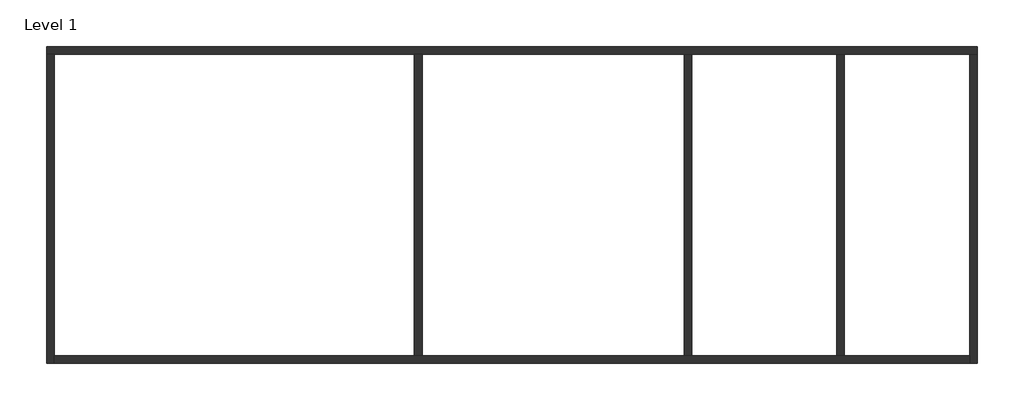
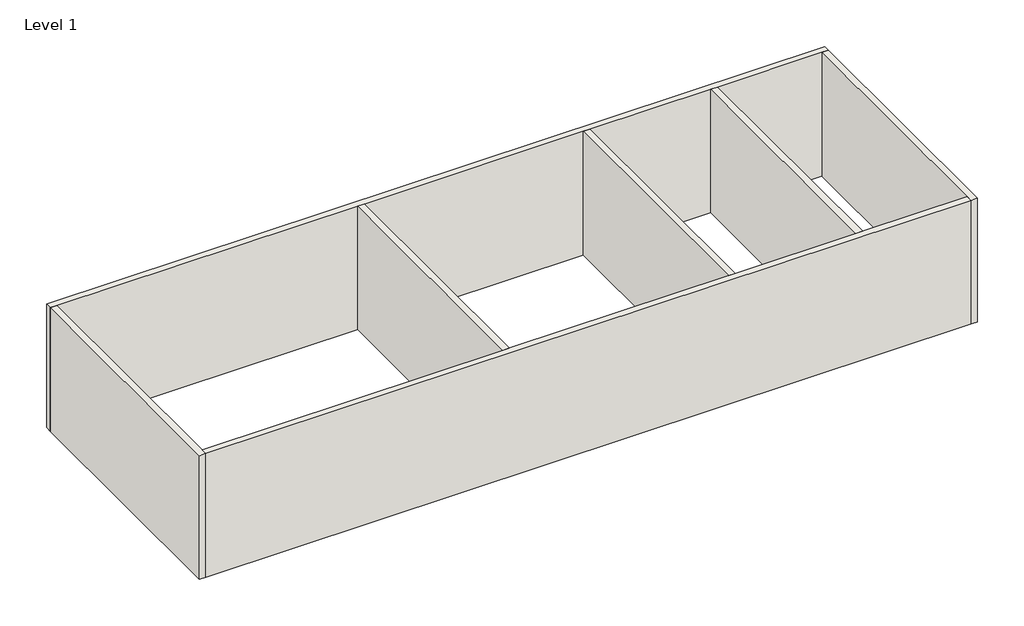
# One storey: 7 walls.
"""IFC4 building model written with IfcOpenShell, lengths in millimetres."""

from ifc_helpers import new_model, si_unit, origin, origin_with_axes, place, context, project, spatial, polyline, outline, extrude, faceted_brep, element, save

model = new_model("IFC4")

# Units and contexts
model_context = context("Model", 3, world=origin())
ifc_project = project(units=[si_unit("LENGTHUNIT", "METRE", prefix="MILLI")], contexts=[model_context])

# Site, building, storey
site = spatial("IfcSite", under=ifc_project)
building = spatial("IfcBuilding", under=site)
storey = spatial("IfcBuildingStorey", under=building, Name="Level 1", Elevation=0.0)

# Walls
placement = place(None, origin())
element("IfcWall", 1, ObjectType="Wall 1", at=placement, inside=storey, context=model_context, shape_type="Brep", body=[
    faceted_brep([(-4159.1188428, 6471.3818644, 0.0), (-3959.1188428, 6471.3818644, 0.0), (5240.8811572, 6471.3818644, 0.0), (5440.8811572, 6471.3818644, 0.0), (12140.8811572, 6471.3818644, 0.0), (12340.8811572, 6471.3818644, 0.0), (16040.8811572, 6471.3818644, 0.0), (16240.8811572, 6471.3818644, 0.0), (19440.8811572, 6471.3818644, 0.0), (19640.8811572, 6471.3818644, 0.0), (19640.8811572, 6471.3818644, 4000.0), (19440.8811572, 6471.3818644, 4000.0), (16240.8811572, 6471.3818644, 4000.0), (16040.8811572, 6471.3818644, 4000.0), (12340.8811572, 6471.3818644, 4000.0), (12140.8811572, 6471.3818644, 4000.0), (5440.8811572, 6471.3818644, 4000.0), (5240.8811572, 6471.3818644, 4000.0), (-3959.1188428, 6471.3818644, 4000.0), (-4159.1188428, 6471.3818644, 4000.0), (-4159.1188428, 6671.3818644, 0.0), (-4159.1188428, 6671.3818644, 4000.0), (19640.8811572, 6671.3818644, 4000.0), (19640.8811572, 6671.3818644, 0.0)], [[[0, 1, 2, 3, 4, 5, 6, 7, 8, 9, 10, 11, 12, 13, 14, 15, 16, 17, 18, 19]], [[20, 21, 22, 23]], [[9, 8, 7, 6, 5, 4, 3, 2, 1, 0, 20, 23]], [[19, 18, 17, 16, 15, 14, 13, 12, 11, 10, 22, 21]], [[0, 19, 21, 20]], [[10, 9, 23, 22]]]),
])
element("IfcWall", 2, ObjectType="Wall 1", at=placement, inside=storey, context=model_context, shape_type="Brep", body=[
    faceted_brep([(-3959.1188428, -1428.6181356, 0.0), (-3959.1188428, -1228.6181356, 0.0), (-3959.1188428, 6471.3818644, 0.0), (-3959.1188428, 6471.3818644, 4000.0), (-3959.1188428, -1228.6181356, 4000.0), (-3959.1188428, -1428.6181356, 4000.0), (-4159.1188428, -1428.6181356, 0.0), (-4159.1188428, -1428.6181356, 4000.0), (-4159.1188428, 6471.3818644, 4000.0), (-4159.1188428, 6471.3818644, 0.0)], [[[0, 1, 2, 3, 4, 5]], [[6, 7, 8, 9]], [[2, 1, 0, 6, 9]], [[5, 4, 3, 8, 7]], [[0, 5, 7, 6]], [[3, 2, 9, 8]]]),
])
element("IfcWall", 3, ObjectType="Wall 1", at=placement, inside=storey, context=model_context, shape_type="Brep", body=[
    faceted_brep([(19440.8811572, -1228.6181356, 0.0), (16240.8811572, -1228.6181356, 0.0), (16040.8811572, -1228.6181356, 0.0), (12340.8811572, -1228.6181356, 0.0), (12140.8811572, -1228.6181356, 0.0), (5440.8811572, -1228.6181356, 0.0), (5240.8811572, -1228.6181356, 0.0), (-3959.1188428, -1228.6181356, 0.0), (-3959.1188428, -1228.6181356, 4000.0), (5240.8811572, -1228.6181356, 4000.0), (5440.8811572, -1228.6181356, 4000.0), (12140.8811572, -1228.6181356, 4000.0), (12340.8811572, -1228.6181356, 4000.0), (16040.8811572, -1228.6181356, 4000.0), (16240.8811572, -1228.6181356, 4000.0), (19440.8811572, -1228.6181356, 4000.0), (19440.8811572, -1428.6181356, 0.0), (19440.8811572, -1428.6181356, 4000.0), (-3959.1188428, -1428.6181356, 4000.0), (-3959.1188428, -1428.6181356, 0.0)], [[[0, 1, 2, 3, 4, 5, 6, 7, 8, 9, 10, 11, 12, 13, 14, 15]], [[16, 17, 18, 19]], [[7, 6, 5, 4, 3, 2, 1, 0, 16, 19]], [[15, 14, 13, 12, 11, 10, 9, 8, 18, 17]], [[8, 7, 19, 18]], [[0, 15, 17, 16]]]),
])
element("IfcWall", 4, ObjectType="Wall 1", at=placement, inside=storey, context=model_context, shape_type="SweptSolid", body=[
    extrude(outline(polyline([(5240.8811572, -1228.6181356), (5240.8811572, 6471.3818644), (5440.8811572, 6471.3818644), (5440.8811572, -1228.6181356), (5240.8811572, -1228.6181356)])), origin_with_axes(), (0.0, 0.0, 1.0), 4000.0),
])
element("IfcWall", 5, ObjectType="Wall 1", at=placement, inside=storey, context=model_context, shape_type="SweptSolid", body=[
    extrude(outline(polyline([(12140.8811572, -1228.6181356), (12140.8811572, 6471.3818644), (12340.8811572, 6471.3818644), (12340.8811572, -1228.6181356), (12140.8811572, -1228.6181356)])), origin_with_axes(), (0.0, 0.0, 1.0), 4000.0),
])
element("IfcWall", 6, ObjectType="Wall 1", at=placement, inside=storey, context=model_context, shape_type="SweptSolid", body=[
    extrude(outline(polyline([(16040.8811572, -1228.6181356), (16040.8811572, 6471.3818644), (16240.8811572, 6471.3818644), (16240.8811572, -1228.6181356), (16040.8811572, -1228.6181356)])), origin_with_axes(), (0.0, 0.0, 1.0), 4000.0),
])
element("IfcWall", 7, ObjectType="Wall 1", at=placement, inside=storey, context=model_context, shape_type="Brep", body=[
    faceted_brep([(19440.8811572, 6471.3818644, 0.0), (19440.8811572, -1228.6181356, 0.0), (19440.8811572, -1428.6181356, 0.0), (19440.8811572, -1428.6181356, 4000.0), (19440.8811572, -1228.6181356, 4000.0), (19440.8811572, 6471.3818644, 4000.0), (19640.8811572, 6471.3818644, 0.0), (19640.8811572, 6471.3818644, 4000.0), (19640.8811572, -1428.6181356, 4000.0), (19640.8811572, -1428.6181356, 0.0)], [[[0, 1, 2, 3, 4, 5]], [[6, 7, 8, 9]], [[2, 1, 0, 6, 9]], [[5, 4, 3, 8, 7]], [[0, 5, 7, 6]], [[3, 2, 9, 8]]]),
])

save(model, "model.ifc")
